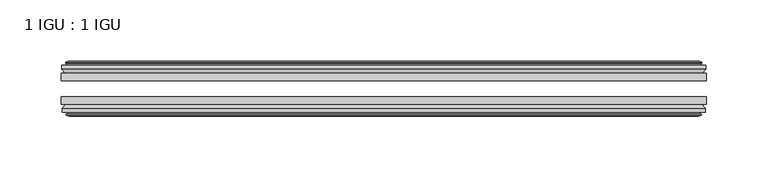
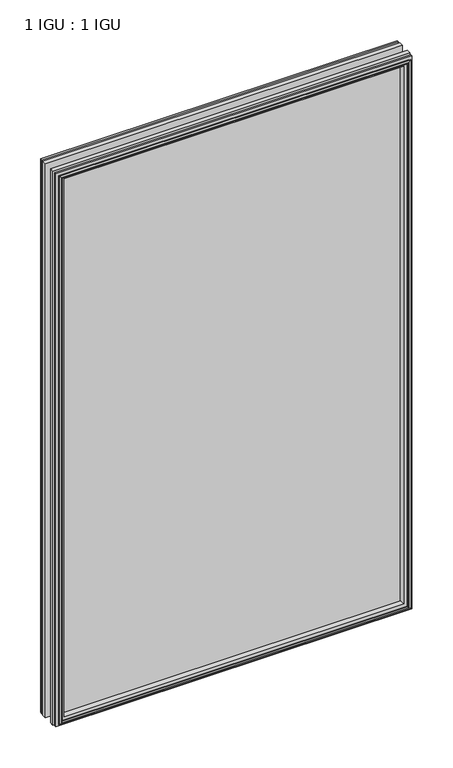
"""IFC4 building model written with IfcOpenShell, lengths in millimetres: plate geometry, 1 IGU : 1 IGU."""

from ifc_helpers import new_model, si_unit, frame, origin, place, context, project, spatial, polyline, outline, extrude, faceted_brep, source, transform, mapped, element, save


def plate_1_igu_1_igu_5dfb498b(model_context):
    return source(origin(), model_context, "Body", "SolidModel", [
        extrude(outline(polyline([(263.525, -19.5460937), (263.525, -25.8960938), (-263.525, -25.8960938), (-263.525, -19.5460937), (263.525, -19.5460937)])), frame((0.0, 0.0, -12.7), z_axis=(0.0, 0.0, 1.0), x_axis=(1.0, 0.0, 0.0)), (0.0, 0.0, 1.0), 863.6),
        extrude(outline(polyline([(-263.525, -44.9460938), (-263.525, -38.9186737), (263.525, -38.9186737), (263.525, -44.9460938), (-263.525, -44.9460938)])), frame((0.0, 0.0, -12.7), z_axis=(0.0, 0.0, 1.0), x_axis=(1.0, 0.0, 0.0)), (0.0, 0.0, 1.0), 863.6),
        faceted_brep([(-257.937, -53.6762907, 845.312), (-258.318, -51.2960937, 845.693), (-258.318, -51.2960937, -7.493), (-257.937, -53.6762907, -7.112), (-259.3525291, -53.2163575, 846.7275291), (-259.3525291, -53.2163575, -8.5275291), (-259.3525291, -54.0175717, 846.7275291), (-259.3525291, -54.0175717, -8.5275291), (-257.175, -54.7250937, 844.55), (-257.175, -54.7250937, -6.35), (-254.9974709, -54.0175717, 842.3724709), (-254.9974709, -54.0175717, -4.1724709), (-254.9974709, -53.2163575, 842.3724709), (-254.9974709, -53.2163575, -4.1724709), (-256.413, -53.6762907, 843.788), (-256.413, -53.6762907, -5.588), (-256.032, -51.2960937, 843.407), (-256.032, -51.2960937, -5.207), (-249.1072819, -44.9460937, 836.4822819), (-250.825, -51.2960937, 838.2), (-250.825, -51.2960937, 0.0), (-249.1072819, -44.9460937, 1.7177181), (-262.763, -48.3496937, 850.138), (-259.9286578, -44.9460937, 847.3036578), (-259.9286578, -44.9460937, -9.1036578), (-262.763, -48.3496937, -11.938), (-262.763, -51.2960937, 850.138), (-262.763, -51.2960937, -11.938), (258.318, -51.2960938, -7.493), (257.937, -53.6762907, -7.112), (259.3525291, -53.2163575, -8.5275291), (259.3525291, -54.0175717, -8.5275291), (257.175, -54.7250937, -6.35), (254.9974709, -54.0175717, -4.1724709), (254.9974709, -53.2163575, -4.1724709), (256.413, -53.6762907, -5.588), (256.032, -51.2960937, -5.207), (250.825, -51.2960937, 0.0), (249.1072819, -44.9460937, 1.7177181), (259.9286578, -44.9460937, -9.1036578), (262.763, -48.3496937, -11.938), (262.763, -51.2960938, -11.938), (258.318, -51.2960938, 845.693), (257.937, -53.6762907, 845.312), (259.3525291, -53.2163575, 846.7275291), (259.3525291, -54.0175717, 846.7275291), (257.175, -54.7250937, 844.55), (254.9974709, -54.0175717, 842.3724709), (254.9974709, -53.2163575, 842.3724709), (256.413, -53.6762907, 843.788), (256.032, -51.2960937, 843.407), (250.825, -51.2960937, 838.2), (249.1072819, -44.9460937, 836.4822819), (259.9286578, -44.9460937, 847.3036578), (262.763, -48.3496937, 850.138), (262.763, -51.2960938, 850.138)], [[[0, 1, 2, 3]], [[4, 0, 3, 5]], [[6, 4, 5, 7]], [[8, 6, 7, 9]], [[10, 8, 9, 11]], [[12, 10, 11, 13]], [[14, 12, 13, 15]], [[16, 14, 15, 17]], [[18, 19, 20, 21]], [[22, 23, 24, 25]], [[26, 22, 25, 27]], [[3, 2, 28, 29]], [[5, 3, 29, 30]], [[7, 5, 30, 31]], [[9, 7, 31, 32]], [[11, 9, 32, 33]], [[13, 11, 33, 34]], [[15, 13, 34, 35]], [[17, 15, 35, 36]], [[21, 20, 37, 38]], [[25, 24, 39, 40]], [[27, 25, 40, 41]], [[29, 28, 42, 43]], [[30, 29, 43, 44]], [[31, 30, 44, 45]], [[32, 31, 45, 46]], [[33, 32, 46, 47]], [[34, 33, 47, 48]], [[35, 34, 48, 49]], [[36, 35, 49, 50]], [[38, 37, 51, 52]], [[40, 39, 53, 54]], [[41, 40, 54, 55]], [[27, 41, 55, 26], [1, 42, 28, 2]], [[43, 42, 1, 0]], [[44, 43, 0, 4]], [[45, 44, 4, 6]], [[46, 45, 6, 8]], [[47, 46, 8, 10]], [[48, 47, 10, 12]], [[49, 48, 12, 14]], [[50, 49, 14, 16]], [[17, 36, 50, 16], [19, 51, 37, 20]], [[52, 51, 19, 18]], [[23, 53, 39, 24], [21, 38, 52, 18]], [[54, 53, 23, 22]], [[55, 54, 22, 26]]]),
        faceted_brep([(-260.4493578, -19.5460937, 847.8243578), (-263.2837, -16.1424937, 850.6587), (-263.2837, -16.1424937, -12.4587), (-260.4493578, -19.5460937, -9.6243578), (-251.3457, -13.1960937, 838.7207), (-249.6279819, -19.5460937, 837.0029819), (-249.6279819, -19.5460937, 1.1970181), (-251.3457, -13.1960937, -0.5207), (-256.9337, -10.8158968, 844.3087), (-256.5527, -13.1960937, 843.9277), (-256.5527, -13.1960937, -5.7277), (-256.9337, -10.8158968, -6.1087), (-255.5181709, -11.27583, 842.8931709), (-255.5181709, -11.27583, -4.6931709), (-255.5181709, -10.4746158, 842.8931709), (-255.5181709, -10.4746158, -4.6931709), (-257.6957, -9.7670937, 845.0707), (-257.6957, -9.7670937, -6.8707), (-259.8732291, -10.4746158, 847.2482291), (-259.8732291, -10.4746158, -9.0482291), (-259.8732291, -11.27583, 847.2482291), (-259.8732291, -11.27583, -9.0482291), (-258.4577, -10.8158968, 845.8327), (-258.4577, -10.8158968, -7.6327), (-258.8387, -13.1960937, 846.2137), (-258.8387, -13.1960937, -8.0137), (-263.2837, -13.1960937, 850.6587), (-263.2837, -13.1960937, -12.4587), (263.2837, -16.1424937, -12.4587), (260.4493578, -19.5460937, -9.6243578), (249.6279819, -19.5460937, 1.1970181), (251.3457, -13.1960937, -0.5207), (256.5527, -13.1960937, -5.7277), (256.9337, -10.8158968, -6.1087), (255.5181709, -11.27583, -4.6931709), (255.5181709, -10.4746158, -4.6931709), (257.6957, -9.7670937, -6.8707), (259.8732291, -10.4746158, -9.0482291), (259.8732291, -11.27583, -9.0482291), (258.4577, -10.8158968, -7.6327), (258.8387, -13.1960937, -8.0137), (263.2837, -13.1960937, -12.4587), (263.2837, -16.1424937, 850.6587), (260.4493578, -19.5460937, 847.8243578), (249.6279819, -19.5460937, 837.0029819), (251.3457, -13.1960937, 838.7207), (256.5527, -13.1960937, 843.9277), (256.9337, -10.8158968, 844.3087), (255.5181709, -11.27583, 842.8931709), (255.5181709, -10.4746158, 842.8931709), (257.6957, -9.7670937, 845.0707), (259.8732291, -10.4746158, 847.2482291), (259.8732291, -11.27583, 847.2482291), (258.4577, -10.8158968, 845.8327), (258.8387, -13.1960937, 846.2137), (263.2837, -13.1960937, 850.6587)], [[[0, 1, 2, 3]], [[4, 5, 6, 7]], [[8, 9, 10, 11]], [[12, 8, 11, 13]], [[14, 12, 13, 15]], [[16, 14, 15, 17]], [[18, 16, 17, 19]], [[20, 18, 19, 21]], [[22, 20, 21, 23]], [[24, 22, 23, 25]], [[1, 26, 27, 2]], [[3, 2, 28, 29]], [[7, 6, 30, 31]], [[11, 10, 32, 33]], [[13, 11, 33, 34]], [[15, 13, 34, 35]], [[17, 15, 35, 36]], [[19, 17, 36, 37]], [[21, 19, 37, 38]], [[23, 21, 38, 39]], [[25, 23, 39, 40]], [[2, 27, 41, 28]], [[29, 28, 42, 43]], [[31, 30, 44, 45]], [[33, 32, 46, 47]], [[34, 33, 47, 48]], [[35, 34, 48, 49]], [[36, 35, 49, 50]], [[37, 36, 50, 51]], [[38, 37, 51, 52]], [[39, 38, 52, 53]], [[40, 39, 53, 54]], [[28, 41, 55, 42]], [[43, 42, 1, 0]], [[3, 29, 43, 0], [5, 44, 30, 6]], [[45, 44, 5, 4]], [[9, 46, 32, 10], [7, 31, 45, 4]], [[47, 46, 9, 8]], [[48, 47, 8, 12]], [[49, 48, 12, 14]], [[50, 49, 14, 16]], [[51, 50, 16, 18]], [[52, 51, 18, 20]], [[53, 52, 20, 22]], [[54, 53, 22, 24]], [[26, 55, 41, 27], [25, 40, 54, 24]], [[42, 55, 26, 1]]]),
    ])


if __name__ == "__main__":
    model = new_model("IFC4")
    model_context = context("Model", 3, world=origin())
    ifc_project = project(units=[si_unit("LENGTHUNIT", "METRE", prefix="MILLI")], contexts=[model_context])
    site = spatial("IfcSite", under=ifc_project)
    building = spatial("IfcBuilding", under=site)
    placement = place(None, origin())
    plate_1_igu_1_igu_shape = plate_1_igu_1_igu_5dfb498b(model_context)
    element("IfcPlate", 1, ObjectType="1 IGU : 1 IGU", at=placement, inside=building, context=model_context, shape_type="MappedRepresentation", body=[
        mapped(plate_1_igu_1_igu_shape, transform((0.0, 0.0, 0.0), x_axis=(1.0, 0.0, 0.0), y_axis=(0.0, 1.0, 0.0), z_axis=(0.0, 0.0, 1.0))),
    ])
    save(model, "model.ifc")
